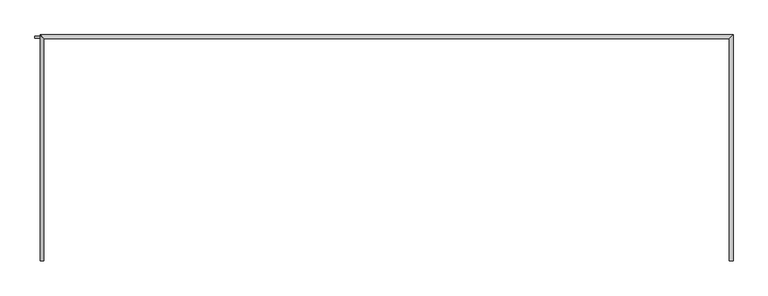
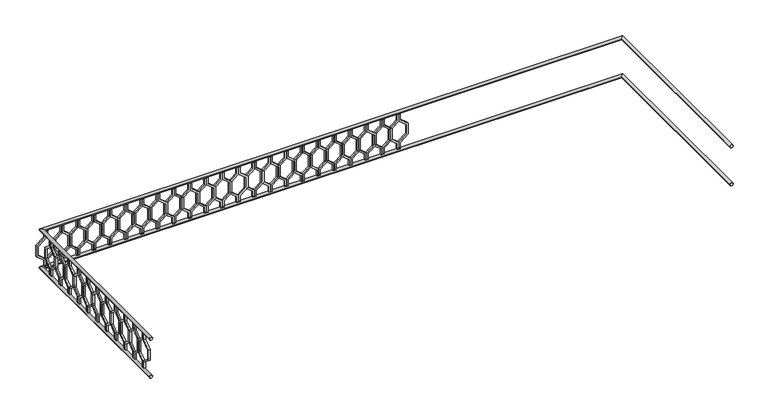
"""IFC4 building model written with IfcOpenShell, lengths in millimetres: railing geometry."""

from ifc_helpers import new_model, si_unit, frame, origin, place, context, project, spatial, polyline, circle_curve, ellipse_curve, outline, extrude, source, transform, mapped, element, save
from ifc_brep_helpers import plane_surface, cylinder_surface, advanced_brep


def railing_9ac1b250(model_context):
    return source(origin(), model_context, "Body", "SolidModel", [
        advanced_brep(
        [(-40739.9887159, 903.1079487, 22080.0), (-40699.9887159, 903.1079487, 22080.0), (-40739.9887159, 3243.1079487, 22080.0), (-40699.9887159, 3283.1079487, 22080.0), (-47939.9887159, 3243.1079487, 22080.0), (-47979.9887159, 3283.1079487, 22080.0), (-47939.9887159, 903.1079487, 22080.0), (-47979.9887159, 903.1079487, 22080.0)],
        [
            (0, 1, circle_curve(frame((-40719.9887159, 903.1079487, 22080.0), z_axis=(0.0, -1.0, 0.0), x_axis=(1.0, 0.0, 0.0)), 20.0)),
            (1, 0, circle_curve(frame((-40719.9887159, 903.1079487, 22080.0), z_axis=(0.0, -1.0, 0.0), x_axis=(1.0, 0.0, 0.0)), 20.0)),
            (0, 2),
            (2, 3, ellipse_curve(frame((-40719.9887159, 3263.1079487, 22080.0), z_axis=(0.7071067811865475, -0.7071067811865476, 0.0), x_axis=(-0.7071067811865476, -0.7071067811865475, 0.0)), 28.2842712, 20.0)),
            (3, 1),
            (3, 2, ellipse_curve(frame((-40719.9887159, 3263.1079487, 22080.0), z_axis=(0.7071067811865475, -0.7071067811865476, 0.0), x_axis=(-0.7071067811865476, -0.7071067811865475, 0.0)), 28.2842712, 20.0)),
            (2, 4),
            (4, 5, ellipse_curve(frame((-47959.9887159, 3263.1079487, 22080.0), z_axis=(0.7071067811865481, 0.7071067811865469, 0.0), x_axis=(0.7071067811865469, -0.7071067811865481, 0.0)), 28.2842712, 20.0)),
            (5, 3),
            (5, 4, ellipse_curve(frame((-47959.9887159, 3263.1079487, 22080.0), z_axis=(0.7071067811865481, 0.7071067811865469, 0.0), x_axis=(0.7071067811865469, -0.7071067811865481, 0.0)), 28.2842712, 20.0)),
            (6, 7, circle_curve(frame((-47959.9887159, 903.1079487, 22080.0), z_axis=(0.0, -1.0, 0.0), x_axis=(-1.0, 0.0, 0.0)), 20.0)),
            (7, 6, circle_curve(frame((-47959.9887159, 903.1079487, 22080.0), z_axis=(0.0, -1.0, 0.0), x_axis=(-1.0, 0.0, 0.0)), 20.0)),
            (4, 6),
            (7, 5),
        ],
        [
            plane_surface(frame((-40719.9887159, 903.1079487, 22100.0), z_axis=(0.0, -1.0, 0.0), x_axis=(0.0, 0.0, 1.0))),
            cylinder_surface(frame((-40719.9887159, 903.1079487, 22080.0), z_axis=(0.0, -1.0, 0.0), x_axis=(1.0, 0.0, 0.0)), 20.0),
            cylinder_surface(frame((-40719.9887159, 3263.1079487, 22080.0), z_axis=(1.0, 0.0, 0.0), x_axis=(0.0, 1.0, 0.0)), 20.0),
            plane_surface(frame((-47959.9887159, 903.1079487, 22100.0), z_axis=(0.0, -1.0, 0.0), x_axis=(0.0, 0.0, -1.0))),
            cylinder_surface(frame((-47959.9887159, 3263.1079487, 22080.0), z_axis=(0.0, 1.0, 0.0), x_axis=(-1.0, 0.0, 0.0)), 20.0),
        ],
        [
            (0, [[1, 2]]),
            (1, [[-1, 3, 4, 5]]),
            (1, [[-2, -5, 6, -3]]),
            (2, [[-4, 7, 8, 9]]),
            (2, [[-6, -9, 10, -7]]),
            (3, [[11, 12]]),
            (4, [[-8, 13, -12, 14]]),
            (4, [[-10, -14, -11, -13]]),
        ],
    ),
        advanced_brep(
        [(-40739.9887159, 903.1079487, 21580.0), (-40699.9887159, 903.1079487, 21580.0), (-40739.9887159, 3243.1079487, 21580.0), (-40699.9887159, 3283.1079487, 21580.0), (-47939.9887159, 3243.1079487, 21580.0), (-47979.9887159, 3283.1079487, 21580.0), (-47939.9887159, 903.1079487, 21580.0), (-47979.9887159, 903.1079487, 21580.0)],
        [
            (0, 1, circle_curve(frame((-40719.9887159, 903.1079487, 21580.0), z_axis=(0.0, -1.0, 0.0), x_axis=(1.0, 0.0, 0.0)), 20.0)),
            (1, 0, circle_curve(frame((-40719.9887159, 903.1079487, 21580.0), z_axis=(0.0, -1.0, 0.0), x_axis=(1.0, 0.0, 0.0)), 20.0)),
            (0, 2),
            (2, 3, ellipse_curve(frame((-40719.9887159, 3263.1079487, 21580.0), z_axis=(0.7071067811865475, -0.7071067811865476, 0.0), x_axis=(-0.7071067811865476, -0.7071067811865475, 0.0)), 28.2842712, 20.0)),
            (3, 1),
            (3, 2, ellipse_curve(frame((-40719.9887159, 3263.1079487, 21580.0), z_axis=(0.7071067811865475, -0.7071067811865476, 0.0), x_axis=(-0.7071067811865476, -0.7071067811865475, 0.0)), 28.2842712, 20.0)),
            (2, 4),
            (4, 5, ellipse_curve(frame((-47959.9887159, 3263.1079487, 21580.0), z_axis=(0.7071067811865481, 0.7071067811865469, 0.0), x_axis=(0.7071067811865469, -0.7071067811865481, 0.0)), 28.2842712, 20.0)),
            (5, 3),
            (5, 4, ellipse_curve(frame((-47959.9887159, 3263.1079487, 21580.0), z_axis=(0.7071067811865481, 0.7071067811865469, 0.0), x_axis=(0.7071067811865469, -0.7071067811865481, 0.0)), 28.2842712, 20.0)),
            (6, 7, circle_curve(frame((-47959.9887159, 903.1079487, 21580.0), z_axis=(0.0, -1.0, 0.0), x_axis=(-1.0, 0.0, 0.0)), 20.0)),
            (7, 6, circle_curve(frame((-47959.9887159, 903.1079487, 21580.0), z_axis=(0.0, -1.0, 0.0), x_axis=(-1.0, 0.0, 0.0)), 20.0)),
            (4, 6),
            (7, 5),
        ],
        [
            plane_surface(frame((-40719.9887159, 903.1079487, 21600.0), z_axis=(0.0, -1.0, 0.0), x_axis=(0.0, 0.0, 1.0))),
            cylinder_surface(frame((-40719.9887159, 903.1079487, 21580.0), z_axis=(0.0, -1.0, 0.0), x_axis=(1.0, 0.0, 0.0)), 20.0),
            cylinder_surface(frame((-40719.9887159, 3263.1079487, 21580.0), z_axis=(1.0, 0.0, 0.0), x_axis=(0.0, 1.0, 0.0)), 20.0),
            plane_surface(frame((-47959.9887159, 903.1079487, 21600.0), z_axis=(0.0, -1.0, 0.0), x_axis=(0.0, 0.0, -1.0))),
            cylinder_surface(frame((-47959.9887159, 3263.1079487, 21580.0), z_axis=(0.0, 1.0, 0.0), x_axis=(-1.0, 0.0, 0.0)), 20.0),
        ],
        [
            (0, [[1, 2]]),
            (1, [[-1, 3, 4, 5]]),
            (1, [[-2, -5, 6, -3]]),
            (2, [[-4, 7, 8, 9]]),
            (2, [[-6, -9, 10, -7]]),
            (3, [[11, 12]]),
            (4, [[-8, 13, -12, 14]]),
            (4, [[-10, -14, -11, -13]]),
        ],
    ),
        extrude(outline(polyline([(1068.1079487, 22060.0), (1068.1079487, 21970.448155), (969.1129993, 21890.448155), (969.1129993, 21769.551845), (1068.1079487, 21689.551845), (1068.1079487, 21600.0), (1048.1079487, 21600.0), (1048.1079487, 21680.0), (949.1129993, 21760.0), (949.1129993, 21900.0), (1048.1079487, 21980.0), (1048.1079487, 22060.0), (1068.1079487, 22060.0)])), frame((-47964.9887159, 0.0, 0.0), z_axis=(1.0, 0.0, 0.0), x_axis=(0.0, 1.0, 0.0)), (0.0, 0.0, 1.0), 20.0),
        extrude(outline(polyline([(1068.1079487, 22060.0), (1088.1079487, 22060.0), (1088.1079487, 21980.0), (1187.102898, 21900.0), (1187.102898, 21760.0), (1088.1079487, 21680.0), (1088.1079487, 21600.0), (1068.1079487, 21600.0), (1068.1079487, 21689.551845), (1167.102898, 21769.551845), (1167.102898, 21890.448155), (1068.1079487, 21970.448155), (1068.1079487, 22060.0)])), frame((-47964.9887159, 0.0, 0.0), z_axis=(1.0, 0.0, 0.0), x_axis=(0.0, 1.0, 0.0)), (0.0, 0.0, 1.0), 20.0),
        extrude(outline(polyline([(1268.1079487, 22060.0), (1268.1079487, 21970.448155), (1169.1129993, 21890.448155), (1169.1129993, 21769.551845), (1268.1079487, 21689.551845), (1268.1079487, 21600.0), (1248.1079487, 21600.0), (1248.1079487, 21680.0), (1149.1129993, 21760.0), (1149.1129993, 21900.0), (1248.1079487, 21980.0), (1248.1079487, 22060.0), (1268.1079487, 22060.0)])), frame((-47964.9887159, 0.0, 0.0), z_axis=(1.0, 0.0, 0.0), x_axis=(0.0, 1.0, 0.0)), (0.0, 0.0, 1.0), 20.0),
        extrude(outline(polyline([(1268.1079487, 22060.0), (1288.1079487, 22060.0), (1288.1079487, 21980.0), (1387.102898, 21900.0), (1387.102898, 21760.0), (1288.1079487, 21680.0), (1288.1079487, 21600.0), (1268.1079487, 21600.0), (1268.1079487, 21689.551845), (1367.102898, 21769.551845), (1367.102898, 21890.448155), (1268.1079487, 21970.448155), (1268.1079487, 22060.0)])), frame((-47964.9887159, 0.0, 0.0), z_axis=(1.0, 0.0, 0.0), x_axis=(0.0, 1.0, 0.0)), (0.0, 0.0, 1.0), 20.0),
        extrude(outline(polyline([(1468.1079487, 22060.0), (1468.1079487, 21970.448155), (1369.1129993, 21890.448155), (1369.1129993, 21769.551845), (1468.1079487, 21689.551845), (1468.1079487, 21600.0), (1448.1079487, 21600.0), (1448.1079487, 21680.0), (1349.1129993, 21760.0), (1349.1129993, 21900.0), (1448.1079487, 21980.0), (1448.1079487, 22060.0), (1468.1079487, 22060.0)])), frame((-47964.9887159, 0.0, 0.0), z_axis=(1.0, 0.0, 0.0), x_axis=(0.0, 1.0, 0.0)), (0.0, 0.0, 1.0), 20.0),
        extrude(outline(polyline([(1468.1079487, 22060.0), (1488.1079487, 22060.0), (1488.1079487, 21980.0), (1587.102898, 21900.0), (1587.102898, 21760.0), (1488.1079487, 21680.0), (1488.1079487, 21600.0), (1468.1079487, 21600.0), (1468.1079487, 21689.551845), (1567.102898, 21769.551845), (1567.102898, 21890.448155), (1468.1079487, 21970.448155), (1468.1079487, 22060.0)])), frame((-47964.9887159, 0.0, 0.0), z_axis=(1.0, 0.0, 0.0), x_axis=(0.0, 1.0, 0.0)), (0.0, 0.0, 1.0), 20.0),
        extrude(outline(polyline([(1668.1079487, 22060.0), (1668.1079487, 21970.448155), (1569.1129993, 21890.448155), (1569.1129993, 21769.551845), (1668.1079487, 21689.551845), (1668.1079487, 21600.0), (1648.1079487, 21600.0), (1648.1079487, 21680.0), (1549.1129993, 21760.0), (1549.1129993, 21900.0), (1648.1079487, 21980.0), (1648.1079487, 22060.0), (1668.1079487, 22060.0)])), frame((-47964.9887159, 0.0, 0.0), z_axis=(1.0, 0.0, 0.0), x_axis=(0.0, 1.0, 0.0)), (0.0, 0.0, 1.0), 20.0),
        extrude(outline(polyline([(1668.1079487, 22060.0), (1688.1079487, 22060.0), (1688.1079487, 21980.0), (1787.102898, 21900.0), (1787.102898, 21760.0), (1688.1079487, 21680.0), (1688.1079487, 21600.0), (1668.1079487, 21600.0), (1668.1079487, 21689.551845), (1767.102898, 21769.551845), (1767.102898, 21890.448155), (1668.1079487, 21970.448155), (1668.1079487, 22060.0)])), frame((-47964.9887159, 0.0, 0.0), z_axis=(1.0, 0.0, 0.0), x_axis=(0.0, 1.0, 0.0)), (0.0, 0.0, 1.0), 20.0),
        extrude(outline(polyline([(1868.1079487, 22060.0), (1868.1079487, 21970.448155), (1769.1129993, 21890.448155), (1769.1129993, 21769.551845), (1868.1079487, 21689.551845), (1868.1079487, 21600.0), (1848.1079487, 21600.0), (1848.1079487, 21680.0), (1749.1129993, 21760.0), (1749.1129993, 21900.0), (1848.1079487, 21980.0), (1848.1079487, 22060.0), (1868.1079487, 22060.0)])), frame((-47964.9887159, 0.0, 0.0), z_axis=(1.0, 0.0, 0.0), x_axis=(0.0, 1.0, 0.0)), (0.0, 0.0, 1.0), 20.0),
        extrude(outline(polyline([(1868.1079487, 22060.0), (1888.1079487, 22060.0), (1888.1079487, 21980.0), (1987.102898, 21900.0), (1987.102898, 21760.0), (1888.1079487, 21680.0), (1888.1079487, 21600.0), (1868.1079487, 21600.0), (1868.1079487, 21689.551845), (1967.102898, 21769.551845), (1967.102898, 21890.448155), (1868.1079487, 21970.448155), (1868.1079487, 22060.0)])), frame((-47964.9887159, 0.0, 0.0), z_axis=(1.0, 0.0, 0.0), x_axis=(0.0, 1.0, 0.0)), (0.0, 0.0, 1.0), 20.0),
        extrude(outline(polyline([(2068.1079487, 22060.0), (2068.1079487, 21970.448155), (1969.1129993, 21890.448155), (1969.1129993, 21769.551845), (2068.1079487, 21689.551845), (2068.1079487, 21600.0), (2048.1079487, 21600.0), (2048.1079487, 21680.0), (1949.1129993, 21760.0), (1949.1129993, 21900.0), (2048.1079487, 21980.0), (2048.1079487, 22060.0), (2068.1079487, 22060.0)])), frame((-47964.9887159, 0.0, 0.0), z_axis=(1.0, 0.0, 0.0), x_axis=(0.0, 1.0, 0.0)), (0.0, 0.0, 1.0), 20.0),
        extrude(outline(polyline([(2068.1079487, 22060.0), (2088.1079487, 22060.0), (2088.1079487, 21980.0), (2187.102898, 21900.0), (2187.102898, 21760.0), (2088.1079487, 21680.0), (2088.1079487, 21600.0), (2068.1079487, 21600.0), (2068.1079487, 21689.551845), (2167.102898, 21769.551845), (2167.102898, 21890.448155), (2068.1079487, 21970.448155), (2068.1079487, 22060.0)])), frame((-47964.9887159, 0.0, 0.0), z_axis=(1.0, 0.0, 0.0), x_axis=(0.0, 1.0, 0.0)), (0.0, 0.0, 1.0), 20.0),
        extrude(outline(polyline([(2268.1079487, 22060.0), (2268.1079487, 21970.448155), (2169.1129993, 21890.448155), (2169.1129993, 21769.551845), (2268.1079487, 21689.551845), (2268.1079487, 21600.0), (2248.1079487, 21600.0), (2248.1079487, 21680.0), (2149.1129993, 21760.0), (2149.1129993, 21900.0), (2248.1079487, 21980.0), (2248.1079487, 22060.0), (2268.1079487, 22060.0)])), frame((-47964.9887159, 0.0, 0.0), z_axis=(1.0, 0.0, 0.0), x_axis=(0.0, 1.0, 0.0)), (0.0, 0.0, 1.0), 20.0),
        extrude(outline(polyline([(2268.1079487, 22060.0), (2288.1079487, 22060.0), (2288.1079487, 21980.0), (2387.102898, 21900.0), (2387.102898, 21760.0), (2288.1079487, 21680.0), (2288.1079487, 21600.0), (2268.1079487, 21600.0), (2268.1079487, 21689.551845), (2367.102898, 21769.551845), (2367.102898, 21890.448155), (2268.1079487, 21970.448155), (2268.1079487, 22060.0)])), frame((-47964.9887159, 0.0, 0.0), z_axis=(1.0, 0.0, 0.0), x_axis=(0.0, 1.0, 0.0)), (0.0, 0.0, 1.0), 20.0),
        extrude(outline(polyline([(2468.1079487, 22060.0), (2468.1079487, 21970.448155), (2369.1129993, 21890.448155), (2369.1129993, 21769.551845), (2468.1079487, 21689.551845), (2468.1079487, 21600.0), (2448.1079487, 21600.0), (2448.1079487, 21680.0), (2349.1129993, 21760.0), (2349.1129993, 21900.0), (2448.1079487, 21980.0), (2448.1079487, 22060.0), (2468.1079487, 22060.0)])), frame((-47964.9887159, 0.0, 0.0), z_axis=(1.0, 0.0, 0.0), x_axis=(0.0, 1.0, 0.0)), (0.0, 0.0, 1.0), 20.0),
        extrude(outline(polyline([(2468.1079487, 22060.0), (2488.1079487, 22060.0), (2488.1079487, 21980.0), (2587.102898, 21900.0), (2587.102898, 21760.0), (2488.1079487, 21680.0), (2488.1079487, 21600.0), (2468.1079487, 21600.0), (2468.1079487, 21689.551845), (2567.102898, 21769.551845), (2567.102898, 21890.448155), (2468.1079487, 21970.448155), (2468.1079487, 22060.0)])), frame((-47964.9887159, 0.0, 0.0), z_axis=(1.0, 0.0, 0.0), x_axis=(0.0, 1.0, 0.0)), (0.0, 0.0, 1.0), 20.0),
        extrude(outline(polyline([(2668.1079487, 22060.0), (2668.1079487, 21970.448155), (2569.1129993, 21890.448155), (2569.1129993, 21769.551845), (2668.1079487, 21689.551845), (2668.1079487, 21600.0), (2648.1079487, 21600.0), (2648.1079487, 21680.0), (2549.1129993, 21760.0), (2549.1129993, 21900.0), (2648.1079487, 21980.0), (2648.1079487, 22060.0), (2668.1079487, 22060.0)])), frame((-47964.9887159, 0.0, 0.0), z_axis=(1.0, 0.0, 0.0), x_axis=(0.0, 1.0, 0.0)), (0.0, 0.0, 1.0), 20.0),
        extrude(outline(polyline([(2668.1079487, 22060.0), (2688.1079487, 22060.0), (2688.1079487, 21980.0), (2787.102898, 21900.0), (2787.102898, 21760.0), (2688.1079487, 21680.0), (2688.1079487, 21600.0), (2668.1079487, 21600.0), (2668.1079487, 21689.551845), (2767.102898, 21769.551845), (2767.102898, 21890.448155), (2668.1079487, 21970.448155), (2668.1079487, 22060.0)])), frame((-47964.9887159, 0.0, 0.0), z_axis=(1.0, 0.0, 0.0), x_axis=(0.0, 1.0, 0.0)), (0.0, 0.0, 1.0), 20.0),
        extrude(outline(polyline([(2868.1079487, 22060.0), (2868.1079487, 21970.448155), (2769.1129993, 21890.448155), (2769.1129993, 21769.551845), (2868.1079487, 21689.551845), (2868.1079487, 21600.0), (2848.1079487, 21600.0), (2848.1079487, 21680.0), (2749.1129993, 21760.0), (2749.1129993, 21900.0), (2848.1079487, 21980.0), (2848.1079487, 22060.0), (2868.1079487, 22060.0)])), frame((-47964.9887159, 0.0, 0.0), z_axis=(1.0, 0.0, 0.0), x_axis=(0.0, 1.0, 0.0)), (0.0, 0.0, 1.0), 20.0),
        extrude(outline(polyline([(2868.1079487, 22060.0), (2888.1079487, 22060.0), (2888.1079487, 21980.0), (2987.102898, 21900.0), (2987.102898, 21760.0), (2888.1079487, 21680.0), (2888.1079487, 21600.0), (2868.1079487, 21600.0), (2868.1079487, 21689.551845), (2967.102898, 21769.551845), (2967.102898, 21890.448155), (2868.1079487, 21970.448155), (2868.1079487, 22060.0)])), frame((-47964.9887159, 0.0, 0.0), z_axis=(1.0, 0.0, 0.0), x_axis=(0.0, 1.0, 0.0)), (0.0, 0.0, 1.0), 20.0),
        extrude(outline(polyline([(3068.1079487, 22060.0), (3068.1079487, 21970.448155), (2969.1129993, 21890.448155), (2969.1129993, 21769.551845), (3068.1079487, 21689.551845), (3068.1079487, 21600.0), (3048.1079487, 21600.0), (3048.1079487, 21680.0), (2949.1129993, 21760.0), (2949.1129993, 21900.0), (3048.1079487, 21980.0), (3048.1079487, 22060.0), (3068.1079487, 22060.0)])), frame((-47964.9887159, 0.0, 0.0), z_axis=(1.0, 0.0, 0.0), x_axis=(0.0, 1.0, 0.0)), (0.0, 0.0, 1.0), 20.0),
        extrude(outline(polyline([(3068.1079487, 22060.0), (3088.1079487, 22060.0), (3088.1079487, 21980.0), (3187.102898, 21900.0), (3187.102898, 21760.0), (3088.1079487, 21680.0), (3088.1079487, 21600.0), (3068.1079487, 21600.0), (3068.1079487, 21689.551845), (3167.102898, 21769.551845), (3167.102898, 21890.448155), (3068.1079487, 21970.448155), (3068.1079487, 22060.0)])), frame((-47964.9887159, 0.0, 0.0), z_axis=(1.0, 0.0, 0.0), x_axis=(0.0, 1.0, 0.0)), (0.0, 0.0, 1.0), 20.0),
        extrude(outline(polyline([(22060.0, -47914.9887159), (22060.0, -47934.9887159), (21980.0, -47934.9887159), (21900.0, -48033.9836653), (21760.0, -48033.9836653), (21680.0, -47934.9887159), (21600.0, -47934.9887159), (21600.0, -47914.9887159), (21689.551845, -47914.9887159), (21769.551845, -48013.9836653), (21890.448155, -48013.9836653), (21970.448155, -47914.9887159), (22060.0, -47914.9887159)])), frame((0.0, 3248.1079487, 0.0), z_axis=(0.0, 1.0, 0.0), x_axis=(0.0, 0.0, 1.0)), (0.0, 0.0, 1.0), 20.0),
        extrude(outline(polyline([(22060.0, -47914.9887159), (21970.448155, -47914.9887159), (21890.448155, -47815.9937665), (21769.551845, -47815.9937665), (21689.551845, -47914.9887159), (21600.0, -47914.9887159), (21600.0, -47894.9887159), (21680.0, -47894.9887159), (21760.0, -47795.9937665), (21900.0, -47795.9937665), (21980.0, -47894.9887159), (22060.0, -47894.9887159), (22060.0, -47914.9887159)])), frame((0.0, 3248.1079487, 0.0), z_axis=(0.0, 1.0, 0.0), x_axis=(0.0, 0.0, 1.0)), (0.0, 0.0, 1.0), 20.0),
        extrude(outline(polyline([(22060.0, -47714.9887159), (22060.0, -47734.9887159), (21980.0, -47734.9887159), (21900.0, -47833.9836653), (21760.0, -47833.9836653), (21680.0, -47734.9887159), (21600.0, -47734.9887159), (21600.0, -47714.9887159), (21689.551845, -47714.9887159), (21769.551845, -47813.9836653), (21890.448155, -47813.9836653), (21970.448155, -47714.9887159), (22060.0, -47714.9887159)])), frame((0.0, 3248.1079487, 0.0), z_axis=(0.0, 1.0, 0.0), x_axis=(0.0, 0.0, 1.0)), (0.0, 0.0, 1.0), 20.0),
        extrude(outline(polyline([(22060.0, -47714.9887159), (21970.448155, -47714.9887159), (21890.448155, -47615.9937665), (21769.551845, -47615.9937665), (21689.551845, -47714.9887159), (21600.0, -47714.9887159), (21600.0, -47694.9887159), (21680.0, -47694.9887159), (21760.0, -47595.9937665), (21900.0, -47595.9937665), (21980.0, -47694.9887159), (22060.0, -47694.9887159), (22060.0, -47714.9887159)])), frame((0.0, 3248.1079487, 0.0), z_axis=(0.0, 1.0, 0.0), x_axis=(0.0, 0.0, 1.0)), (0.0, 0.0, 1.0), 20.0),
        extrude(outline(polyline([(22060.0, -47514.9887159), (22060.0, -47534.9887159), (21980.0, -47534.9887159), (21900.0, -47633.9836653), (21760.0, -47633.9836653), (21680.0, -47534.9887159), (21600.0, -47534.9887159), (21600.0, -47514.9887159), (21689.551845, -47514.9887159), (21769.551845, -47613.9836653), (21890.448155, -47613.9836653), (21970.448155, -47514.9887159), (22060.0, -47514.9887159)])), frame((0.0, 3248.1079487, 0.0), z_axis=(0.0, 1.0, 0.0), x_axis=(0.0, 0.0, 1.0)), (0.0, 0.0, 1.0), 20.0),
        extrude(outline(polyline([(22060.0, -47514.9887159), (21970.448155, -47514.9887159), (21890.448155, -47415.9937665), (21769.551845, -47415.9937665), (21689.551845, -47514.9887159), (21600.0, -47514.9887159), (21600.0, -47494.9887159), (21680.0, -47494.9887159), (21760.0, -47395.9937665), (21900.0, -47395.9937665), (21980.0, -47494.9887159), (22060.0, -47494.9887159), (22060.0, -47514.9887159)])), frame((0.0, 3248.1079487, 0.0), z_axis=(0.0, 1.0, 0.0), x_axis=(0.0, 0.0, 1.0)), (0.0, 0.0, 1.0), 20.0),
        extrude(outline(polyline([(22060.0, -47314.9887159), (22060.0, -47334.9887159), (21980.0, -47334.9887159), (21900.0, -47433.9836653), (21760.0, -47433.9836653), (21680.0, -47334.9887159), (21600.0, -47334.9887159), (21600.0, -47314.9887159), (21689.551845, -47314.9887159), (21769.551845, -47413.9836653), (21890.448155, -47413.9836653), (21970.448155, -47314.9887159), (22060.0, -47314.9887159)])), frame((0.0, 3248.1079487, 0.0), z_axis=(0.0, 1.0, 0.0), x_axis=(0.0, 0.0, 1.0)), (0.0, 0.0, 1.0), 20.0),
        extrude(outline(polyline([(22060.0, -47314.9887159), (21970.448155, -47314.9887159), (21890.448155, -47215.9937665), (21769.551845, -47215.9937665), (21689.551845, -47314.9887159), (21600.0, -47314.9887159), (21600.0, -47294.9887159), (21680.0, -47294.9887159), (21760.0, -47195.9937665), (21900.0, -47195.9937665), (21980.0, -47294.9887159), (22060.0, -47294.9887159), (22060.0, -47314.9887159)])), frame((0.0, 3248.1079487, 0.0), z_axis=(0.0, 1.0, 0.0), x_axis=(0.0, 0.0, 1.0)), (0.0, 0.0, 1.0), 20.0),
        extrude(outline(polyline([(22060.0, -47114.9887159), (22060.0, -47134.9887159), (21980.0, -47134.9887159), (21900.0, -47233.9836653), (21760.0, -47233.9836653), (21680.0, -47134.9887159), (21600.0, -47134.9887159), (21600.0, -47114.9887159), (21689.551845, -47114.9887159), (21769.551845, -47213.9836653), (21890.448155, -47213.9836653), (21970.448155, -47114.9887159), (22060.0, -47114.9887159)])), frame((0.0, 3248.1079487, 0.0), z_axis=(0.0, 1.0, 0.0), x_axis=(0.0, 0.0, 1.0)), (0.0, 0.0, 1.0), 20.0),
        extrude(outline(polyline([(22060.0, -47114.9887159), (21970.448155, -47114.9887159), (21890.448155, -47015.9937665), (21769.551845, -47015.9937665), (21689.551845, -47114.9887159), (21600.0, -47114.9887159), (21600.0, -47094.9887159), (21680.0, -47094.9887159), (21760.0, -46995.9937665), (21900.0, -46995.9937665), (21980.0, -47094.9887159), (22060.0, -47094.9887159), (22060.0, -47114.9887159)])), frame((0.0, 3248.1079487, 0.0), z_axis=(0.0, 1.0, 0.0), x_axis=(0.0, 0.0, 1.0)), (0.0, 0.0, 1.0), 20.0),
        extrude(outline(polyline([(22060.0, -46914.9887159), (22060.0, -46934.9887159), (21980.0, -46934.9887159), (21900.0, -47033.9836653), (21760.0, -47033.9836653), (21680.0, -46934.9887159), (21600.0, -46934.9887159), (21600.0, -46914.9887159), (21689.551845, -46914.9887159), (21769.551845, -47013.9836653), (21890.448155, -47013.9836653), (21970.448155, -46914.9887159), (22060.0, -46914.9887159)])), frame((0.0, 3248.1079487, 0.0), z_axis=(0.0, 1.0, 0.0), x_axis=(0.0, 0.0, 1.0)), (0.0, 0.0, 1.0), 20.0),
        extrude(outline(polyline([(22060.0, -46914.9887159), (21970.448155, -46914.9887159), (21890.448155, -46815.9937665), (21769.551845, -46815.9937665), (21689.551845, -46914.9887159), (21600.0, -46914.9887159), (21600.0, -46894.9887159), (21680.0, -46894.9887159), (21760.0, -46795.9937665), (21900.0, -46795.9937665), (21980.0, -46894.9887159), (22060.0, -46894.9887159), (22060.0, -46914.9887159)])), frame((0.0, 3248.1079487, 0.0), z_axis=(0.0, 1.0, 0.0), x_axis=(0.0, 0.0, 1.0)), (0.0, 0.0, 1.0), 20.0),
        extrude(outline(polyline([(22060.0, -46714.9887159), (22060.0, -46734.9887159), (21980.0, -46734.9887159), (21900.0, -46833.9836653), (21760.0, -46833.9836653), (21680.0, -46734.9887159), (21600.0, -46734.9887159), (21600.0, -46714.9887159), (21689.551845, -46714.9887159), (21769.551845, -46813.9836653), (21890.448155, -46813.9836653), (21970.448155, -46714.9887159), (22060.0, -46714.9887159)])), frame((0.0, 3248.1079487, 0.0), z_axis=(0.0, 1.0, 0.0), x_axis=(0.0, 0.0, 1.0)), (0.0, 0.0, 1.0), 20.0),
        extrude(outline(polyline([(22060.0, -46714.9887159), (21970.448155, -46714.9887159), (21890.448155, -46615.9937665), (21769.551845, -46615.9937665), (21689.551845, -46714.9887159), (21600.0, -46714.9887159), (21600.0, -46694.9887159), (21680.0, -46694.9887159), (21760.0, -46595.9937665), (21900.0, -46595.9937665), (21980.0, -46694.9887159), (22060.0, -46694.9887159), (22060.0, -46714.9887159)])), frame((0.0, 3248.1079487, 0.0), z_axis=(0.0, 1.0, 0.0), x_axis=(0.0, 0.0, 1.0)), (0.0, 0.0, 1.0), 20.0),
        extrude(outline(polyline([(22060.0, -46514.9887159), (22060.0, -46534.9887159), (21980.0, -46534.9887159), (21900.0, -46633.9836653), (21760.0, -46633.9836653), (21680.0, -46534.9887159), (21600.0, -46534.9887159), (21600.0, -46514.9887159), (21689.551845, -46514.9887159), (21769.551845, -46613.9836653), (21890.448155, -46613.9836653), (21970.448155, -46514.9887159), (22060.0, -46514.9887159)])), frame((0.0, 3248.1079487, 0.0), z_axis=(0.0, 1.0, 0.0), x_axis=(0.0, 0.0, 1.0)), (0.0, 0.0, 1.0), 20.0),
        extrude(outline(polyline([(22060.0, -46514.9887159), (21970.448155, -46514.9887159), (21890.448155, -46415.9937665), (21769.551845, -46415.9937665), (21689.551845, -46514.9887159), (21600.0, -46514.9887159), (21600.0, -46494.9887159), (21680.0, -46494.9887159), (21760.0, -46395.9937665), (21900.0, -46395.9937665), (21980.0, -46494.9887159), (22060.0, -46494.9887159), (22060.0, -46514.9887159)])), frame((0.0, 3248.1079487, 0.0), z_axis=(0.0, 1.0, 0.0), x_axis=(0.0, 0.0, 1.0)), (0.0, 0.0, 1.0), 20.0),
        extrude(outline(polyline([(22060.0, -46314.9887159), (22060.0, -46334.9887159), (21980.0, -46334.9887159), (21900.0, -46433.9836653), (21760.0, -46433.9836653), (21680.0, -46334.9887159), (21600.0, -46334.9887159), (21600.0, -46314.9887159), (21689.551845, -46314.9887159), (21769.551845, -46413.9836653), (21890.448155, -46413.9836653), (21970.448155, -46314.9887159), (22060.0, -46314.9887159)])), frame((0.0, 3248.1079487, 0.0), z_axis=(0.0, 1.0, 0.0), x_axis=(0.0, 0.0, 1.0)), (0.0, 0.0, 1.0), 20.0),
        extrude(outline(polyline([(22060.0, -46314.9887159), (21970.448155, -46314.9887159), (21890.448155, -46215.9937665), (21769.551845, -46215.9937665), (21689.551845, -46314.9887159), (21600.0, -46314.9887159), (21600.0, -46294.9887159), (21680.0, -46294.9887159), (21760.0, -46195.9937665), (21900.0, -46195.9937665), (21980.0, -46294.9887159), (22060.0, -46294.9887159), (22060.0, -46314.9887159)])), frame((0.0, 3248.1079487, 0.0), z_axis=(0.0, 1.0, 0.0), x_axis=(0.0, 0.0, 1.0)), (0.0, 0.0, 1.0), 20.0),
        extrude(outline(polyline([(22060.0, -46114.9887159), (22060.0, -46134.9887159), (21980.0, -46134.9887159), (21900.0, -46233.9836653), (21760.0, -46233.9836653), (21680.0, -46134.9887159), (21600.0, -46134.9887159), (21600.0, -46114.9887159), (21689.551845, -46114.9887159), (21769.551845, -46213.9836653), (21890.448155, -46213.9836653), (21970.448155, -46114.9887159), (22060.0, -46114.9887159)])), frame((0.0, 3248.1079487, 0.0), z_axis=(0.0, 1.0, 0.0), x_axis=(0.0, 0.0, 1.0)), (0.0, 0.0, 1.0), 20.0),
        extrude(outline(polyline([(22060.0, -46114.9887159), (21970.448155, -46114.9887159), (21890.448155, -46015.9937665), (21769.551845, -46015.9937665), (21689.551845, -46114.9887159), (21600.0, -46114.9887159), (21600.0, -46094.9887159), (21680.0, -46094.9887159), (21760.0, -45995.9937665), (21900.0, -45995.9937665), (21980.0, -46094.9887159), (22060.0, -46094.9887159), (22060.0, -46114.9887159)])), frame((0.0, 3248.1079487, 0.0), z_axis=(0.0, 1.0, 0.0), x_axis=(0.0, 0.0, 1.0)), (0.0, 0.0, 1.0), 20.0),
        extrude(outline(polyline([(22060.0, -45914.9887159), (22060.0, -45934.9887159), (21980.0, -45934.9887159), (21900.0, -46033.9836653), (21760.0, -46033.9836653), (21680.0, -45934.9887159), (21600.0, -45934.9887159), (21600.0, -45914.9887159), (21689.551845, -45914.9887159), (21769.551845, -46013.9836653), (21890.448155, -46013.9836653), (21970.448155, -45914.9887159), (22060.0, -45914.9887159)])), frame((0.0, 3248.1079487, 0.0), z_axis=(0.0, 1.0, 0.0), x_axis=(0.0, 0.0, 1.0)), (0.0, 0.0, 1.0), 20.0),
        extrude(outline(polyline([(22060.0, -45914.9887159), (21970.448155, -45914.9887159), (21890.448155, -45815.9937665), (21769.551845, -45815.9937665), (21689.551845, -45914.9887159), (21600.0, -45914.9887159), (21600.0, -45894.9887159), (21680.0, -45894.9887159), (21760.0, -45795.9937665), (21900.0, -45795.9937665), (21980.0, -45894.9887159), (22060.0, -45894.9887159), (22060.0, -45914.9887159)])), frame((0.0, 3248.1079487, 0.0), z_axis=(0.0, 1.0, 0.0), x_axis=(0.0, 0.0, 1.0)), (0.0, 0.0, 1.0), 20.0),
        extrude(outline(polyline([(22060.0, -45714.9887159), (22060.0, -45734.9887159), (21980.0, -45734.9887159), (21900.0, -45833.9836653), (21760.0, -45833.9836653), (21680.0, -45734.9887159), (21600.0, -45734.9887159), (21600.0, -45714.9887159), (21689.551845, -45714.9887159), (21769.551845, -45813.9836653), (21890.448155, -45813.9836653), (21970.448155, -45714.9887159), (22060.0, -45714.9887159)])), frame((0.0, 3248.1079487, 0.0), z_axis=(0.0, 1.0, 0.0), x_axis=(0.0, 0.0, 1.0)), (0.0, 0.0, 1.0), 20.0),
        extrude(outline(polyline([(22060.0, -45714.9887159), (21970.448155, -45714.9887159), (21890.448155, -45615.9937665), (21769.551845, -45615.9937665), (21689.551845, -45714.9887159), (21600.0, -45714.9887159), (21600.0, -45694.9887159), (21680.0, -45694.9887159), (21760.0, -45595.9937665), (21900.0, -45595.9937665), (21980.0, -45694.9887159), (22060.0, -45694.9887159), (22060.0, -45714.9887159)])), frame((0.0, 3248.1079487, 0.0), z_axis=(0.0, 1.0, 0.0), x_axis=(0.0, 0.0, 1.0)), (0.0, 0.0, 1.0), 20.0),
        extrude(outline(polyline([(22060.0, -45514.9887159), (22060.0, -45534.9887159), (21980.0, -45534.9887159), (21900.0, -45633.9836653), (21760.0, -45633.9836653), (21680.0, -45534.9887159), (21600.0, -45534.9887159), (21600.0, -45514.9887159), (21689.551845, -45514.9887159), (21769.551845, -45613.9836653), (21890.448155, -45613.9836653), (21970.448155, -45514.9887159), (22060.0, -45514.9887159)])), frame((0.0, 3248.1079487, 0.0), z_axis=(0.0, 1.0, 0.0), x_axis=(0.0, 0.0, 1.0)), (0.0, 0.0, 1.0), 20.0),
        extrude(outline(polyline([(22060.0, -45514.9887159), (21970.448155, -45514.9887159), (21890.448155, -45415.9937665), (21769.551845, -45415.9937665), (21689.551845, -45514.9887159), (21600.0, -45514.9887159), (21600.0, -45494.9887159), (21680.0, -45494.9887159), (21760.0, -45395.9937665), (21900.0, -45395.9937665), (21980.0, -45494.9887159), (22060.0, -45494.9887159), (22060.0, -45514.9887159)])), frame((0.0, 3248.1079487, 0.0), z_axis=(0.0, 1.0, 0.0), x_axis=(0.0, 0.0, 1.0)), (0.0, 0.0, 1.0), 20.0),
        extrude(outline(polyline([(22060.0, -45314.9887159), (22060.0, -45334.9887159), (21980.0, -45334.9887159), (21900.0, -45433.9836653), (21760.0, -45433.9836653), (21680.0, -45334.9887159), (21600.0, -45334.9887159), (21600.0, -45314.9887159), (21689.551845, -45314.9887159), (21769.551845, -45413.9836653), (21890.448155, -45413.9836653), (21970.448155, -45314.9887159), (22060.0, -45314.9887159)])), frame((0.0, 3248.1079487, 0.0), z_axis=(0.0, 1.0, 0.0), x_axis=(0.0, 0.0, 1.0)), (0.0, 0.0, 1.0), 20.0),
        extrude(outline(polyline([(22060.0, -45314.9887159), (21970.448155, -45314.9887159), (21890.448155, -45215.9937665), (21769.551845, -45215.9937665), (21689.551845, -45314.9887159), (21600.0, -45314.9887159), (21600.0, -45294.9887159), (21680.0, -45294.9887159), (21760.0, -45195.9937665), (21900.0, -45195.9937665), (21980.0, -45294.9887159), (22060.0, -45294.9887159), (22060.0, -45314.9887159)])), frame((0.0, 3248.1079487, 0.0), z_axis=(0.0, 1.0, 0.0), x_axis=(0.0, 0.0, 1.0)), (0.0, 0.0, 1.0), 20.0),
        extrude(outline(polyline([(22060.0, -45114.9887159), (22060.0, -45134.9887159), (21980.0, -45134.9887159), (21900.0, -45233.9836653), (21760.0, -45233.9836653), (21680.0, -45134.9887159), (21600.0, -45134.9887159), (21600.0, -45114.9887159), (21689.551845, -45114.9887159), (21769.551845, -45213.9836653), (21890.448155, -45213.9836653), (21970.448155, -45114.9887159), (22060.0, -45114.9887159)])), frame((0.0, 3248.1079487, 0.0), z_axis=(0.0, 1.0, 0.0), x_axis=(0.0, 0.0, 1.0)), (0.0, 0.0, 1.0), 20.0),
        extrude(outline(polyline([(22060.0, -45114.9887159), (21970.448155, -45114.9887159), (21890.448155, -45015.9937665), (21769.551845, -45015.9937665), (21689.551845, -45114.9887159), (21600.0, -45114.9887159), (21600.0, -45094.9887159), (21680.0, -45094.9887159), (21760.0, -44995.9937665), (21900.0, -44995.9937665), (21980.0, -45094.9887159), (22060.0, -45094.9887159), (22060.0, -45114.9887159)])), frame((0.0, 3248.1079487, 0.0), z_axis=(0.0, 1.0, 0.0), x_axis=(0.0, 0.0, 1.0)), (0.0, 0.0, 1.0), 20.0),
        extrude(outline(polyline([(22060.0, -44914.9887159), (22060.0, -44934.9887159), (21980.0, -44934.9887159), (21900.0, -45033.9836653), (21760.0, -45033.9836653), (21680.0, -44934.9887159), (21600.0, -44934.9887159), (21600.0, -44914.9887159), (21689.551845, -44914.9887159), (21769.551845, -45013.9836653), (21890.448155, -45013.9836653), (21970.448155, -44914.9887159), (22060.0, -44914.9887159)])), frame((0.0, 3248.1079487, 0.0), z_axis=(0.0, 1.0, 0.0), x_axis=(0.0, 0.0, 1.0)), (0.0, 0.0, 1.0), 20.0),
        extrude(outline(polyline([(22060.0, -44914.9887159), (21970.448155, -44914.9887159), (21890.448155, -44815.9937665), (21769.551845, -44815.9937665), (21689.551845, -44914.9887159), (21600.0, -44914.9887159), (21600.0, -44894.9887159), (21680.0, -44894.9887159), (21760.0, -44795.9937665), (21900.0, -44795.9937665), (21980.0, -44894.9887159), (22060.0, -44894.9887159), (22060.0, -44914.9887159)])), frame((0.0, 3248.1079487, 0.0), z_axis=(0.0, 1.0, 0.0), x_axis=(0.0, 0.0, 1.0)), (0.0, 0.0, 1.0), 20.0),
        extrude(outline(polyline([(22060.0, -44714.9887159), (22060.0, -44734.9887159), (21980.0, -44734.9887159), (21900.0, -44833.9836653), (21760.0, -44833.9836653), (21680.0, -44734.9887159), (21600.0, -44734.9887159), (21600.0, -44714.9887159), (21689.551845, -44714.9887159), (21769.551845, -44813.9836653), (21890.448155, -44813.9836653), (21970.448155, -44714.9887159), (22060.0, -44714.9887159)])), frame((0.0, 3248.1079487, 0.0), z_axis=(0.0, 1.0, 0.0), x_axis=(0.0, 0.0, 1.0)), (0.0, 0.0, 1.0), 20.0),
        extrude(outline(polyline([(22060.0, -44714.9887159), (21970.448155, -44714.9887159), (21890.448155, -44615.9937665), (21769.551845, -44615.9937665), (21689.551845, -44714.9887159), (21600.0, -44714.9887159), (21600.0, -44694.9887159), (21680.0, -44694.9887159), (21760.0, -44595.9937665), (21900.0, -44595.9937665), (21980.0, -44694.9887159), (22060.0, -44694.9887159), (22060.0, -44714.9887159)])), frame((0.0, 3248.1079487, 0.0), z_axis=(0.0, 1.0, 0.0), x_axis=(0.0, 0.0, 1.0)), (0.0, 0.0, 1.0), 20.0),
        extrude(outline(polyline([(22060.0, -44514.9887159), (22060.0, -44534.9887159), (21980.0, -44534.9887159), (21900.0, -44633.9836653), (21760.0, -44633.9836653), (21680.0, -44534.9887159), (21600.0, -44534.9887159), (21600.0, -44514.9887159), (21689.551845, -44514.9887159), (21769.551845, -44613.9836653), (21890.448155, -44613.9836653), (21970.448155, -44514.9887159), (22060.0, -44514.9887159)])), frame((0.0, 3248.1079487, 0.0), z_axis=(0.0, 1.0, 0.0), x_axis=(0.0, 0.0, 1.0)), (0.0, 0.0, 1.0), 20.0),
        extrude(outline(polyline([(22060.0, -44514.9887159), (21970.448155, -44514.9887159), (21890.448155, -44415.9937665), (21769.551845, -44415.9937665), (21689.551845, -44514.9887159), (21600.0, -44514.9887159), (21600.0, -44494.9887159), (21680.0, -44494.9887159), (21760.0, -44395.9937665), (21900.0, -44395.9937665), (21980.0, -44494.9887159), (22060.0, -44494.9887159), (22060.0, -44514.9887159)])), frame((0.0, 3248.1079487, 0.0), z_axis=(0.0, 1.0, 0.0), x_axis=(0.0, 0.0, 1.0)), (0.0, 0.0, 1.0), 20.0),
        extrude(outline(polyline([(22060.0, -44314.9887159), (22060.0, -44334.9887159), (21980.0, -44334.9887159), (21900.0, -44433.9836653), (21760.0, -44433.9836653), (21680.0, -44334.9887159), (21600.0, -44334.9887159), (21600.0, -44314.9887159), (21689.551845, -44314.9887159), (21769.551845, -44413.9836653), (21890.448155, -44413.9836653), (21970.448155, -44314.9887159), (22060.0, -44314.9887159)])), frame((0.0, 3248.1079487, 0.0), z_axis=(0.0, 1.0, 0.0), x_axis=(0.0, 0.0, 1.0)), (0.0, 0.0, 1.0), 20.0),
        extrude(outline(polyline([(22060.0, -44314.9887159), (21970.448155, -44314.9887159), (21890.448155, -44215.9937665), (21769.551845, -44215.9937665), (21689.551845, -44314.9887159), (21600.0, -44314.9887159), (21600.0, -44294.9887159), (21680.0, -44294.9887159), (21760.0, -44195.9937665), (21900.0, -44195.9937665), (21980.0, -44294.9887159), (22060.0, -44294.9887159), (22060.0, -44314.9887159)])), frame((0.0, 3248.1079487, 0.0), z_axis=(0.0, 1.0, 0.0), x_axis=(0.0, 0.0, 1.0)), (0.0, 0.0, 1.0), 20.0),
        extrude(outline(polyline([(22060.0, -44114.9887159), (22060.0, -44134.9887159), (21980.0, -44134.9887159), (21900.0, -44233.9836653), (21760.0, -44233.9836653), (21680.0, -44134.9887159), (21600.0, -44134.9887159), (21600.0, -44114.9887159), (21689.551845, -44114.9887159), (21769.551845, -44213.9836653), (21890.448155, -44213.9836653), (21970.448155, -44114.9887159), (22060.0, -44114.9887159)])), frame((0.0, 3248.1079487, 0.0), z_axis=(0.0, 1.0, 0.0), x_axis=(0.0, 0.0, 1.0)), (0.0, 0.0, 1.0), 20.0),
        extrude(outline(polyline([(22060.0, -44114.9887159), (21970.448155, -44114.9887159), (21890.448155, -44015.9937665), (21769.551845, -44015.9937665), (21689.551845, -44114.9887159), (21600.0, -44114.9887159), (21600.0, -44094.9887159), (21680.0, -44094.9887159), (21760.0, -43995.9937665), (21900.0, -43995.9937665), (21980.0, -44094.9887159), (22060.0, -44094.9887159), (22060.0, -44114.9887159)])), frame((0.0, 3248.1079487, 0.0), z_axis=(0.0, 1.0, 0.0), x_axis=(0.0, 0.0, 1.0)), (0.0, 0.0, 1.0), 20.0),
        extrude(outline(polyline([(22060.0, -43914.9887159), (22060.0, -43934.9887159), (21980.0, -43934.9887159), (21900.0, -44033.9836653), (21760.0, -44033.9836653), (21680.0, -43934.9887159), (21600.0, -43934.9887159), (21600.0, -43914.9887159), (21689.551845, -43914.9887159), (21769.551845, -44013.9836653), (21890.448155, -44013.9836653), (21970.448155, -43914.9887159), (22060.0, -43914.9887159)])), frame((0.0, 3248.1079487, 0.0), z_axis=(0.0, 1.0, 0.0), x_axis=(0.0, 0.0, 1.0)), (0.0, 0.0, 1.0), 20.0),
        extrude(outline(polyline([(22060.0, -43914.9887159), (21970.448155, -43914.9887159), (21890.448155, -43815.9937665), (21769.551845, -43815.9937665), (21689.551845, -43914.9887159), (21600.0, -43914.9887159), (21600.0, -43894.9887159), (21680.0, -43894.9887159), (21760.0, -43795.9937665), (21900.0, -43795.9937665), (21980.0, -43894.9887159), (22060.0, -43894.9887159), (22060.0, -43914.9887159)])), frame((0.0, 3248.1079487, 0.0), z_axis=(0.0, 1.0, 0.0), x_axis=(0.0, 0.0, 1.0)), (0.0, 0.0, 1.0), 20.0),
        extrude(outline(polyline([(22060.0, -43714.9887159), (22060.0, -43734.9887159), (21980.0, -43734.9887159), (21900.0, -43833.9836653), (21760.0, -43833.9836653), (21680.0, -43734.9887159), (21600.0, -43734.9887159), (21600.0, -43714.9887159), (21689.551845, -43714.9887159), (21769.551845, -43813.9836653), (21890.448155, -43813.9836653), (21970.448155, -43714.9887159), (22060.0, -43714.9887159)])), frame((0.0, 3248.1079487, 0.0), z_axis=(0.0, 1.0, 0.0), x_axis=(0.0, 0.0, 1.0)), (0.0, 0.0, 1.0), 20.0),
        extrude(outline(polyline([(22060.0, -43714.9887159), (21970.448155, -43714.9887159), (21890.448155, -43615.9937665), (21769.551845, -43615.9937665), (21689.551845, -43714.9887159), (21600.0, -43714.9887159), (21600.0, -43694.9887159), (21680.0, -43694.9887159), (21760.0, -43595.9937665), (21900.0, -43595.9937665), (21980.0, -43694.9887159), (22060.0, -43694.9887159), (22060.0, -43714.9887159)])), frame((0.0, 3248.1079487, 0.0), z_axis=(0.0, 1.0, 0.0), x_axis=(0.0, 0.0, 1.0)), (0.0, 0.0, 1.0), 20.0),
        extrude(outline(polyline([(22060.0, -43514.9887159), (22060.0, -43534.9887159), (21980.0, -43534.9887159), (21900.0, -43633.9836653), (21760.0, -43633.9836653), (21680.0, -43534.9887159), (21600.0, -43534.9887159), (21600.0, -43514.9887159), (21689.551845, -43514.9887159), (21769.551845, -43613.9836653), (21890.448155, -43613.9836653), (21970.448155, -43514.9887159), (22060.0, -43514.9887159)])), frame((0.0, 3248.1079487, 0.0), z_axis=(0.0, 1.0, 0.0), x_axis=(0.0, 0.0, 1.0)), (0.0, 0.0, 1.0), 20.0),
        extrude(outline(polyline([(22060.0, -43514.9887159), (21970.448155, -43514.9887159), (21890.448155, -43415.9937665), (21769.551845, -43415.9937665), (21689.551845, -43514.9887159), (21600.0, -43514.9887159), (21600.0, -43494.9887159), (21680.0, -43494.9887159), (21760.0, -43395.9937665), (21900.0, -43395.9937665), (21980.0, -43494.9887159), (22060.0, -43494.9887159), (22060.0, -43514.9887159)])), frame((0.0, 3248.1079487, 0.0), z_axis=(0.0, 1.0, 0.0), x_axis=(0.0, 0.0, 1.0)), (0.0, 0.0, 1.0), 20.0),
    ])


if __name__ == "__main__":
    model = new_model("IFC4")
    model_context = context("Model", 3, world=origin())
    ifc_project = project(units=[si_unit("LENGTHUNIT", "METRE", prefix="MILLI")], contexts=[model_context])
    site = spatial("IfcSite", under=ifc_project)
    building = spatial("IfcBuilding", under=site)
    placement = place(None, origin())
    railing_shape = railing_9ac1b250(model_context)
    element("IfcRailing", 1, at=placement, inside=building, context=model_context, shape_type="MappedRepresentation", body=[
        mapped(railing_shape, transform((0.0, 0.0, 0.0), x_axis=(1.0, 0.0, 0.0), y_axis=(0.0, 1.0, 0.0), z_axis=(0.0, 0.0, 1.0))),
    ])
    save(model, "model.ifc")
